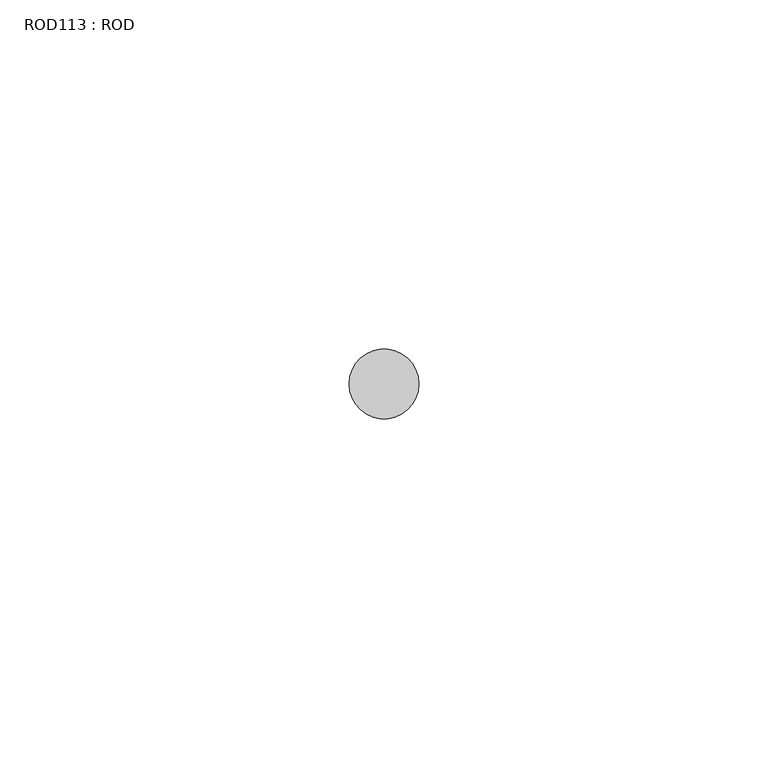
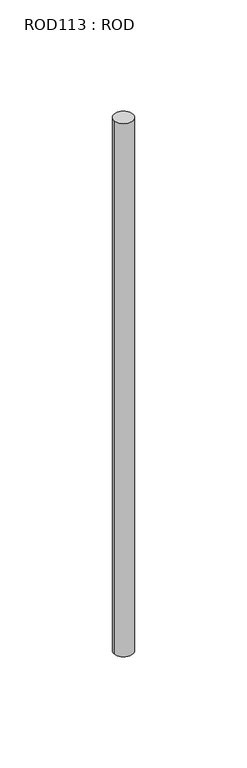
"""IFC4 building model written with IfcOpenShell, lengths in millimetres: proxy geometry, ROD113 : ROD."""

from ifc_helpers import new_model, si_unit, point, frame, frame_2d, origin, place, context, project, spatial, circle_curve, trimmed, segment, composite_curve, outline, extrude, source, transform, mapped, element, save


def rod113_rod_d878cdb9(model_context):
    return source(origin(), model_context, "Body", "SweptSolid", [
        extrude(outline(composite_curve([segment(trimmed(circle_curve(frame_2d((7499.7673324, -10268.1048728)), 5.0), [point((7494.7673324, -10268.1048728))], [point((7504.7673324, -10268.1048728))], False, "CARTESIAN"), True, "CONTINUOUS"), segment(trimmed(circle_curve(frame_2d((7499.7673324, -10268.1048728)), 5.0), [point((7504.7673324, -10268.1048728))], [point((7494.7673324, -10268.1048728))], False, "CARTESIAN"), True, "CONTINUOUS")], self_intersect=False)), frame((0.0, 0.0, -108.6608845), z_axis=(0.0, 0.0, 1.0), x_axis=(1.0, 0.0, 0.0)), (0.0, 0.0, 1.0), 298.9028972),
    ])


if __name__ == "__main__":
    model = new_model("IFC4")
    model_context = context("Model", 3, world=origin())
    ifc_project = project(units=[si_unit("LENGTHUNIT", "METRE", prefix="MILLI")], contexts=[model_context])
    site = spatial("IfcSite", under=ifc_project)
    building = spatial("IfcBuilding", under=site)
    placement = place(None, origin())
    rod113_rod_shape = rod113_rod_d878cdb9(model_context)
    element("IfcBuildingElementProxy", 1, Name="ROD113 : ROD", ObjectType="ROD113 : ROD", at=placement, inside=building, context=model_context, shape_type="MappedRepresentation", body=[
        mapped(rod113_rod_shape, transform((0.0, 0.0, 0.0), x_axis=(1.0, 0.0, 0.0), y_axis=(0.0, 1.0, 0.0), z_axis=(0.0, 0.0, 1.0))),
    ])
    save(model, "model.ifc")
